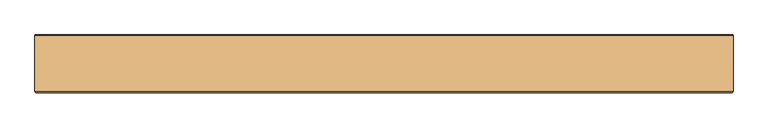
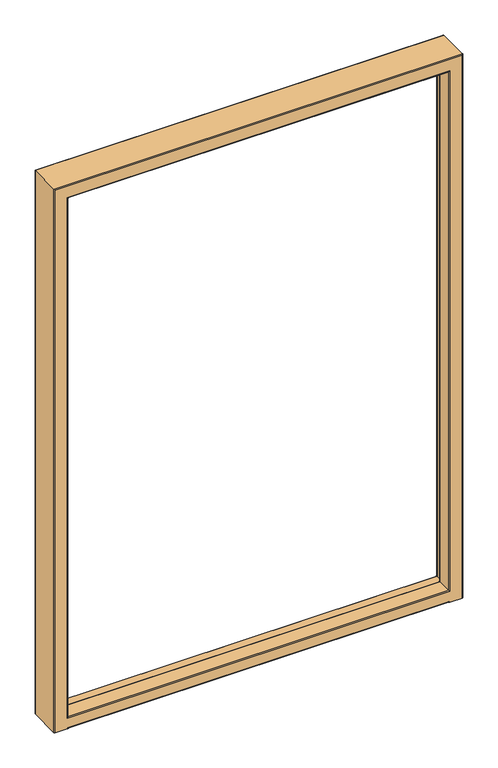
"""IFC4 building model written with IfcOpenShell, lengths in millimetres: door geometry."""

from ifc_helpers import new_model, si_unit, frame, origin, place, context, project, spatial, polyline, circle_curve, ellipse_curve, source, transform, mapped, element, save
from ifc_brep_helpers import plane_surface, cylinder_surface, revolved_surface, advanced_brep


def door_e004470c(model_context):
    return source(origin(), model_context, "Body", "AdvancedBrep", [
        advanced_brep(
        [(562.7857488, 186.453125, 12.0), (563.6, 186.453125, 12.0), (563.6, 193.0, 12.0), (564.6, 194.0, 12.0), (587.0, 194.0, 12.0), (588.0, 193.0, 12.0), (588.0, 75.0, 12.0), (585.0, 72.0, 12.0), (541.0, 72.0, 12.0), (538.0, 75.0, 12.0), (-838.0, 75.0, 12.0), (-841.0, 72.0, 12.0), (-885.0, 72.0, 12.0), (-888.0, 75.0, 12.0), (-888.0, 193.0, 12.0), (-887.0, 194.0, 12.0), (-864.6, 194.0, 12.0), (-863.6, 193.0, 12.0), (-863.6, 186.453125, 12.0), (-862.7857488, 186.453125, 12.0), (-862.7857488, 191.0, 12.0), (562.7857488, 191.0, 12.0), (562.7857488, 186.453125, 31.1912124), (562.7857488, 186.453125, 2062.7857488), (-862.7857488, 186.453125, 2062.7857488), (-862.7857488, 186.453125, 31.1912124), (-863.6, 186.453125, 2063.6), (563.6, 186.453125, 2063.6), (563.6, 193.0, 2063.6), (564.6, 194.0, 2064.6), (-864.6, 194.0, 2064.6), (-887.0, 194.0, 2087.0), (587.0, 194.0, 2087.0), (588.0, 193.0, 2088.0), (588.0, 75.0, 2088.0), (585.0, 72.0, 2085.0), (-885.0, 72.0, 2085.0), (-841.0, 72.0, 15.0), (541.0, 72.0, 15.0), (541.0, 72.0, 2041.0), (541.0, 72.0, 53.0), (-841.0, 72.0, 53.0), (-841.0, 72.0, 2041.0), (538.0, 75.0, 2038.0), (538.0, 75.0, 56.0), (-838.0, 75.0, 2038.0), (-838.0, 75.0, 56.0), (-888.0, 75.0, 2088.0), (-888.0, 193.0, 2088.0), (-863.6, 193.0, 2063.6), (-862.7857488, 191.365608, 30.5880353), (-862.7857488, 194.0, 27.6103969), (-862.7857488, 194.0, 15.0), (562.7857488, 194.0, 15.0), (562.7857488, 194.0, 27.6103969), (562.7857488, 191.365608, 30.5880353), (-854.6498733, 131.0, 2054.6498733), (554.6498733, 131.0, 2054.6498733), (554.6498733, 131.0, 39.3270879), (-854.6498733, 131.0, 39.3270879), (539.5, 131.0, 2039.5), (-839.5, 131.0, 2039.5), (-839.5, 131.0, 54.5), (539.5, 131.0, 54.5), (538.0, 129.5, 2038.0), (538.0, 129.5, 56.0), (-838.0, 129.5, 56.0), (-838.0, 129.5, 2038.0), (556.1386925, 132.317196, 2056.1386925), (556.1386925, 132.317196, 37.8382687), (-856.1386925, 132.317196, 37.8382687), (-856.1386925, 132.317196, 2056.1386925)],
        [
            (0, 1),
            (1, 2),
            (2, 3, circle_curve(frame((564.6, 193.0, 12.0), z_axis=(0.0, 0.0, -1.0), x_axis=(-1.0, 0.0, 0.0)), 1.0)),
            (3, 4),
            (4, 5, circle_curve(frame((587.0, 193.0, 12.0), z_axis=(0.0, 0.0, -1.0), x_axis=(-1.0, 0.0, 0.0)), 1.0)),
            (5, 6),
            (6, 7, circle_curve(frame((585.0, 75.0, 12.0), z_axis=(0.0, 0.0, -1.0), x_axis=(-1.0, 0.0, 0.0)), 3.0)),
            (7, 8),
            (8, 9, circle_curve(frame((541.0, 75.0, 12.0), z_axis=(0.0, 0.0, -1.0), x_axis=(-1.0, 0.0, 0.0)), 3.0)),
            (9, 10),
            (10, 11, circle_curve(frame((-841.0, 75.0, 12.0), z_axis=(0.0, 0.0, -1.0), x_axis=(1.0, 0.0, 0.0)), 3.0)),
            (11, 12),
            (12, 13, circle_curve(frame((-885.0, 75.0, 12.0), z_axis=(0.0, 0.0, -1.0), x_axis=(1.0, 0.0, 0.0)), 3.0)),
            (13, 14),
            (14, 15, circle_curve(frame((-887.0, 193.0, 12.0), z_axis=(0.0, 0.0, -1.0), x_axis=(1.0, 0.0, 0.0)), 1.0)),
            (15, 16),
            (16, 17, circle_curve(frame((-864.6, 193.0, 12.0), z_axis=(0.0, 0.0, -1.0), x_axis=(1.0, 0.0, 0.0)), 1.0)),
            (17, 18),
            (18, 19),
            (19, 20),
            (20, 21),
            (21, 0),
            (0, 22),
            (22, 23),
            (23, 24),
            (24, 25),
            (25, 19),
            (18, 26),
            (26, 27),
            (27, 1),
            (27, 28),
            (28, 2),
            (28, 29, ellipse_curve(frame((564.6, 193.0, 2064.6), z_axis=(0.7071067811865475, 0.0, -0.7071067811865475), x_axis=(-0.7071067811865474, 0.0, -0.7071067811865476)), 1.4142136, 1.0)),
            (29, 3),
            (29, 30),
            (30, 16),
            (15, 31),
            (31, 32),
            (32, 4),
            (32, 33, ellipse_curve(frame((587.0, 193.0, 2087.0), z_axis=(0.7071067811865475, 0.0, -0.7071067811865475), x_axis=(-0.7071067811865474, 0.0, -0.7071067811865476)), 1.4142136, 1.0)),
            (33, 5),
            (33, 34),
            (34, 6),
            (34, 35, ellipse_curve(frame((585.0, 75.0, 2085.0), z_axis=(0.7071067811865475, 0.0, -0.7071067811865475), x_axis=(-0.7071067811865474, 0.0, -0.7071067811865476)), 4.2426407, 3.0)),
            (35, 7),
            (35, 36),
            (36, 12),
            (11, 37),
            (37, 38),
            (38, 8),
            (39, 40),
            (40, 41),
            (41, 42),
            (42, 39),
            (38, 9, ellipse_curve(frame((541.0, 75.0, 15.0), z_axis=(0.7071067811865475, 0.0, -0.7071067811865475), x_axis=(-0.7071067811865474, 0.0, -0.7071067811865476)), 4.2426407, 3.0)),
            (39, 43, ellipse_curve(frame((541.0, 75.0, 2041.0), z_axis=(0.7071067811865475, 0.0, -0.7071067811865475), x_axis=(-0.7071067811865474, 0.0, -0.7071067811865476)), 4.2426407, 3.0)),
            (43, 44),
            (44, 40, ellipse_curve(frame((541.0, 75.0, 53.0), z_axis=(0.7071067811865475, 0.0, 0.7071067811865475), x_axis=(0.7071067811865474, 0.0, -0.7071067811865476)), 4.2426407, 3.0)),
            (37, 10, ellipse_curve(frame((-841.0, 75.0, 15.0), z_axis=(0.7071067811865475, 0.0, 0.7071067811865475), x_axis=(-0.7071067811865476, 0.0, 0.7071067811865474)), 4.2426407, 3.0)),
            (45, 42, ellipse_curve(frame((-841.0, 75.0, 2041.0), z_axis=(-0.7071067811865475, 0.0, -0.7071067811865475), x_axis=(-0.7071067811865474, 0.0, 0.7071067811865476)), 4.2426407, 3.0)),
            (41, 46, ellipse_curve(frame((-841.0, 75.0, 53.0), z_axis=(-0.7071067811865475, 0.0, 0.7071067811865475), x_axis=(0.7071067811865474, 0.0, 0.7071067811865476)), 4.2426407, 3.0)),
            (46, 45),
            (36, 47, ellipse_curve(frame((-885.0, 75.0, 2085.0), z_axis=(-0.7071067811865475, 0.0, -0.7071067811865475), x_axis=(-0.7071067811865474, 0.0, 0.7071067811865476)), 4.2426407, 3.0)),
            (47, 13),
            (47, 48),
            (48, 14),
            (48, 31, ellipse_curve(frame((-887.0, 193.0, 2087.0), z_axis=(-0.7071067811865475, 0.0, -0.7071067811865475), x_axis=(-0.7071067811865474, 0.0, 0.7071067811865476)), 1.4142136, 1.0)),
            (30, 49, ellipse_curve(frame((-864.6, 193.0, 2064.6), z_axis=(-0.7071067811865475, 0.0, -0.7071067811865475), x_axis=(-0.7071067811865474, 0.0, 0.7071067811865476)), 1.4142136, 1.0)),
            (49, 17),
            (49, 26),
            (50, 51, circle_curve(frame((-862.7857488, 191.0, 27.6103969), z_axis=(-1.0, 0.0, 0.0), x_axis=(0.0, -1.0, 0.0)), 3.0)),
            (51, 52),
            (52, 20, circle_curve(frame((-862.7857488, 191.0, 15.0), z_axis=(-1.0, 0.0, 0.0), x_axis=(0.0, -1.0, 0.0)), 3.0)),
            (25, 50),
            (52, 53),
            (53, 21, circle_curve(frame((562.7857488, 191.0, 15.0), z_axis=(-1.0, 0.0, 0.0), x_axis=(0.0, -1.0, 0.0)), 3.0)),
            (53, 54),
            (54, 55, circle_curve(frame((562.7857488, 191.0, 27.6103969), z_axis=(1.0, 0.0, 0.0), x_axis=(0.0, -1.0, 0.0)), 3.0)),
            (55, 22),
            (56, 57),
            (57, 58),
            (58, 59),
            (59, 56),
            (60, 61),
            (61, 62),
            (62, 63),
            (63, 60),
            (64, 60, ellipse_curve(frame((539.5, 129.5, 2039.5), z_axis=(0.7071067811865475, 0.0, -0.7071067811865475), x_axis=(-0.7071067811865474, 0.0, -0.7071067811865476)), 2.1213203, 1.5)),
            (63, 65, ellipse_curve(frame((539.5, 129.5, 54.5), z_axis=(0.7071067811865475, 0.0, 0.7071067811865475), x_axis=(0.7071067811865474, 0.0, -0.7071067811865476)), 2.1213203, 1.5)),
            (65, 64),
            (62, 66, ellipse_curve(frame((-839.5, 129.5, 54.5), z_axis=(0.7071067811865475, 0.0, -0.7071067811865475), x_axis=(-0.7071067811865476, 0.0, -0.7071067811865474)), 2.1213203, 1.5)),
            (66, 65),
            (43, 64),
            (65, 44),
            (61, 67, ellipse_curve(frame((-839.5, 129.5, 2039.5), z_axis=(-0.7071067811865475, 0.0, -0.7071067811865475), x_axis=(-0.7071067811865474, 0.0, 0.7071067811865476)), 2.1213203, 1.5)),
            (67, 66),
            (57, 68, ellipse_curve(frame((554.6498733, 132.5, 2054.6498733), z_axis=(-0.7071067811865475, 0.0, 0.7071067811865475), x_axis=(0.7071067811865474, 0.0, 0.7071067811865476)), 2.1213203, 1.5)),
            (68, 69),
            (69, 58, ellipse_curve(frame((554.6498733, 132.5, 39.3270879), z_axis=(-0.7071067811865475, 0.0, -0.7071067811865475), x_axis=(-0.7071067811865474, 0.0, 0.7071067811865476)), 2.1213203, 1.5)),
            (69, 70),
            (70, 59, ellipse_curve(frame((-854.6498733, 132.5, 39.3270879), z_axis=(-0.7071067811865475, 0.0, 0.7071067811865475), x_axis=(0.7071067811865476, 0.0, 0.7071067811865474)), 2.1213203, 1.5)),
            (71, 56, ellipse_curve(frame((-854.6498733, 132.5, 2054.6498733), z_axis=(0.7071067811865475, 0.0, 0.7071067811865475), x_axis=(0.7071067811865474, 0.0, -0.7071067811865476)), 2.1213203, 1.5)),
            (70, 71),
            (68, 23),
            (22, 69),
            (55, 50),
            (25, 70),
            (24, 71),
            (44, 46),
            (66, 46),
            (67, 45),
            (54, 51),
            (64, 67),
            (71, 68),
            (49, 28),
            (48, 33),
            (47, 34),
            (45, 43),
        ],
        [
            plane_surface(frame((588.0, 204.0, 12.0), z_axis=(0.0, 0.0, -1.0), x_axis=(0.0, -1.0, 0.0))),
            plane_surface(frame((562.7857488, 186.453125, 12.0), z_axis=(0.0, 1.0, 0.0), x_axis=(0.0, 0.0, 1.0))),
            plane_surface(frame((563.6, 186.453125, 12.0), z_axis=(-1.0, 0.0, 0.0), x_axis=(0.0, 0.0, 1.0))),
            cylinder_surface(frame((564.6, 193.0, 12.0), z_axis=(0.0, 0.0, -1.0), x_axis=(-1.0, 0.0, 0.0)), 1.0),
            plane_surface(frame((564.6, 194.0, 12.0), z_axis=(0.0, 1.0, 0.0), x_axis=(0.0, 0.0, 1.0))),
            cylinder_surface(frame((587.0, 193.0, 12.0), z_axis=(0.0, 0.0, -1.0), x_axis=(-1.0, 0.0, 0.0)), 1.0),
            plane_surface(frame((588.0, 193.0, 12.0), z_axis=(1.0, 0.0, 0.0), x_axis=(0.0, 0.0, 1.0))),
            cylinder_surface(frame((585.0, 75.0, 12.0), z_axis=(0.0, 0.0, -1.0), x_axis=(-1.0, 0.0, 0.0)), 3.0),
            plane_surface(frame((585.0, 72.0, 12.0), z_axis=(0.0, -1.0, 0.0), x_axis=(0.0, 0.0, 1.0))),
            cylinder_surface(frame((541.0, 75.0, 12.0), z_axis=(0.0, 0.0, -1.0), x_axis=(-1.0, 0.0, 0.0)), 3.0),
            cylinder_surface(frame((562.7857488, 75.0, 15.0), z_axis=(-1.0, 0.0, 0.0), x_axis=(0.0, -1.0, 0.0)), 3.0),
            cylinder_surface(frame((-841.0, 75.0, 2088.0), z_axis=(0.0, 0.0, 1.0), x_axis=(1.0, 0.0, 0.0)), 3.0),
            cylinder_surface(frame((-885.0, 75.0, 2088.0), z_axis=(0.0, 0.0, 1.0), x_axis=(1.0, 0.0, 0.0)), 3.0),
            plane_surface(frame((-888.0, 193.0, 2088.0), z_axis=(-1.0, 0.0, 0.0), x_axis=(0.0, 0.0, -1.0))),
            cylinder_surface(frame((-887.0, 193.0, 2088.0), z_axis=(0.0, 0.0, 1.0), x_axis=(1.0, 0.0, 0.0)), 1.0),
            cylinder_surface(frame((-864.6, 193.0, 2088.0), z_axis=(0.0, 0.0, 1.0), x_axis=(1.0, 0.0, 0.0)), 1.0),
            plane_surface(frame((-863.6, 186.453125, 2063.6), z_axis=(1.0, 0.0, 0.0), x_axis=(0.0, 0.0, -1.0))),
            plane_surface(frame((-862.7857488, 191.365608, 30.5880353), z_axis=(-1.0000000000000002, 0.0, 0.0), x_axis=(0.0, 0.9925461516413244, -0.12186934340512871))),
            cylinder_surface(frame((562.7857488, 191.0, 15.0), z_axis=(-1.0, 0.0, 0.0), x_axis=(0.0, -1.0, 0.0)), 3.0),
            plane_surface(frame((562.7857488, 191.365608, 30.5880353), z_axis=(1.0000000000000002, 0.0, 0.0), x_axis=(0.0, -0.9925461516413244, 0.12186934340512871))),
            plane_surface(frame((539.5, 131.0, 12.0), z_axis=(0.0, 1.0, 0.0), x_axis=(0.0, 0.0, 1.0))),
            cylinder_surface(frame((539.5, 129.5, 12.0), z_axis=(0.0, 0.0, -1.0), x_axis=(-1.0, 0.0, 0.0)), 1.5),
            cylinder_surface(frame((562.7857488, 129.5, 54.5), z_axis=(-1.0, 0.0, 0.0), x_axis=(0.0, -1.0, 0.0)), 1.5),
            plane_surface(frame((538.0, 75.0, 12.0), z_axis=(-1.0, 0.0, 0.0), x_axis=(0.0, 0.0, 1.0))),
            cylinder_surface(frame((-839.5, 129.5, 2088.0), z_axis=(0.0, 0.0, 1.0), x_axis=(1.0, 0.0, 0.0)), 1.5),
            revolved_surface(polyline([(553.1498733, 132.5, 2056.1498732691985), (553.1498733, 132.5, 37.82708793080132)]), (554.6498733, 132.5, 12.0), (0.0, 0.0, 1.0)),
            revolved_surface(polyline([(556.1498732691987, 131.0, 39.3270879), (-856.1498732691985, 131.0, 39.3270879)]), (562.7857488, 132.5, 39.3270879), (1.0, 0.0, 0.0)),
            revolved_surface(polyline([(-853.1498733, 132.5, 37.827087930801554), (-853.1498733, 132.5, 2056.1498732691985)]), (-854.6498733, 132.5, 2088.0), (0.0, 0.0, -1.0)),
            plane_surface(frame((556.1386925, 132.317196, 12.0), z_axis=(-0.9925461516413233, 0.12186934340513725, 0.0), x_axis=(0.0, 0.0, 1.0))),
            plane_surface(frame((-862.7857488, 132.317196, 37.8382687), z_axis=(0.0, 0.12186934340512871, 0.9925461516413244), x_axis=(1.0, 0.0, 0.0))),
            plane_surface(frame((-856.1386925, 132.317196, 2056.1386925), z_axis=(0.9925461516413242, 0.12186934340513084, 0.0), x_axis=(0.0, 0.0, -1.0))),
            cylinder_surface(frame((562.7857488, 75.0, 53.0), z_axis=(-1.0, 0.0, 0.0), x_axis=(0.0, -1.0, 0.0)), 3.0),
            plane_surface(frame((-862.7857488, 75.0, 56.0), z_axis=(0.0, 0.0, 1.0), x_axis=(1.0, 0.0, 0.0))),
            plane_surface(frame((-838.0, 75.0, 2038.0), z_axis=(1.0, 0.0, 0.0), x_axis=(0.0, 0.0, -1.0))),
            cylinder_surface(frame((562.7857488, 191.0, 27.6103969), z_axis=(-1.0, 0.0, 0.0), x_axis=(0.0, -1.0, 0.0)), 3.0),
            plane_surface(frame((-862.7857488, 194.0, 27.6103969), z_axis=(0.0, 1.0, 0.0), x_axis=(1.0, 0.0, 0.0))),
            cylinder_surface(frame((588.0, 129.5, 2039.5), z_axis=(1.0, 0.0, 0.0), x_axis=(0.0, 0.0, -1.0)), 1.5),
            revolved_surface(polyline([(-856.1498732691985, 132.5, 2053.1498733), (556.1498732691987, 132.5, 2053.1498733)]), (588.0, 132.5, 2054.6498733), (-1.0, 0.0, 0.0)),
            plane_surface(frame((556.1386925, 132.317196, 2056.1386925), z_axis=(0.0, 0.12186934340513404, -0.9925461516413238), x_axis=(-1.0, 0.0, 0.0))),
            plane_surface(frame((563.6, 186.453125, 2063.6), z_axis=(0.0, 0.0, -1.0), x_axis=(-1.0, 0.0, 0.0))),
            cylinder_surface(frame((588.0, 193.0, 2064.6), z_axis=(1.0, 0.0, 0.0), x_axis=(0.0, 0.0, -1.0)), 1.0),
            cylinder_surface(frame((588.0, 193.0, 2087.0), z_axis=(1.0, 0.0, 0.0), x_axis=(0.0, 0.0, -1.0)), 1.0),
            plane_surface(frame((588.0, 193.0, 2088.0), z_axis=(0.0, 0.0, 1.0), x_axis=(-1.0, 0.0, 0.0))),
            cylinder_surface(frame((588.0, 75.0, 2085.0), z_axis=(1.0, 0.0, 0.0), x_axis=(0.0, 0.0, -1.0)), 3.0),
            cylinder_surface(frame((588.0, 75.0, 2041.0), z_axis=(1.0, 0.0, 0.0), x_axis=(0.0, 0.0, -1.0)), 3.0),
            plane_surface(frame((538.0, 75.0, 2038.0), z_axis=(0.0, 0.0, -1.0), x_axis=(-1.0, 0.0, 0.0))),
        ],
        [
            (0, [[1, 2, 3, 4, 5, 6, 7, 8, 9, 10, 11, 12, 13, 14, 15, 16, 17, 18, 19, 20, 21, 22]]),
            (1, [[-1, 23, 24, 25, 26, 27, -19, 28, 29, 30]]),
            (2, [[-2, -30, 31, 32]]),
            (3, [[-3, -32, 33, 34]]),
            (4, [[-4, -34, 35, 36, -16, 37, 38, 39]]),
            (5, [[-5, -39, 40, 41]]),
            (6, [[-6, -41, 42, 43]]),
            (7, [[-7, -43, 44, 45]]),
            (8, [[-8, -45, 46, 47, -12, 48, 49, 50], [51, 52, 53, 54]]),
            (9, [[-9, -50, 55]]),
            (9, [[56, 57, 58, -51]]),
            (10, [[-10, -55, -49, 59]]),
            (11, [[-11, -59, -48]]),
            (11, [[60, -53, 61, 62]]),
            (12, [[-47, 63, 64, -13]]),
            (13, [[65, 66, -14, -64]]),
            (14, [[-37, -15, -66, 67]]),
            (15, [[-36, 68, 69, -17]]),
            (16, [[-28, -18, -69, 70]]),
            (17, [[71, 72, 73, -20, -27, 74]]),
            (18, [[-73, 75, 76, -21]]),
            (19, [[-76, 77, 78, 79, -23, -22]]),
            (20, [[80, 81, 82, 83], [84, 85, 86, 87]]),
            (21, [[88, -87, 89, 90]]),
            (22, [[-86, 91, 92, -89]]),
            (23, [[93, -90, 94, -57]]),
            (24, [[95, 96, -91, -85]]),
            (25, [[-81, 97, 98, 99]]),
            (26, [[-82, -99, 100, 101]]),
            (27, [[102, -83, -101, 103]]),
            (28, [[104, -24, 105, -98]]),
            (29, [[106, -74, 107, -100, -105, -79]]),
            (30, [[108, -103, -107, -26]]),
            (31, [[-52, -58, 109, -61]]),
            (32, [[-92, 110, -109, -94]]),
            (33, [[111, -62, -110, -96]]),
            (34, [[-71, -106, -78, 112]]),
            (35, [[-72, -112, -77, -75]]),
            (36, [[-88, 113, -95, -84]]),
            (37, [[-80, -102, 114, -97]]),
            (38, [[-104, -114, -108, -25]]),
            (39, [[-29, -70, 115, -31]]),
            (40, [[-33, -115, -68, -35]]),
            (41, [[-38, -67, 116, -40]]),
            (42, [[-42, -116, -65, 117]]),
            (43, [[-44, -117, -63, -46]]),
            (44, [[-54, -60, 118, -56]]),
            (45, [[-93, -118, -111, -113]]),
        ],
    ),
    ])


if __name__ == "__main__":
    model = new_model("IFC4")
    model_context = context("Model", 3, world=origin())
    ifc_project = project(units=[si_unit("LENGTHUNIT", "METRE", prefix="MILLI")], contexts=[model_context])
    site = spatial("IfcSite", under=ifc_project)
    building = spatial("IfcBuilding", under=site)
    placement = place(None, origin())
    door_shape = door_e004470c(model_context)
    element("IfcDoor", 1, at=placement, inside=building, context=model_context, shape_type="MappedRepresentation", body=[
        mapped(door_shape, transform((0.0, 0.0, 0.0), x_axis=(1.0, 0.0, 0.0), y_axis=(0.0, 1.0, 0.0), z_axis=(0.0, 0.0, 1.0))),
    ])
    save(model, "model.ifc")
